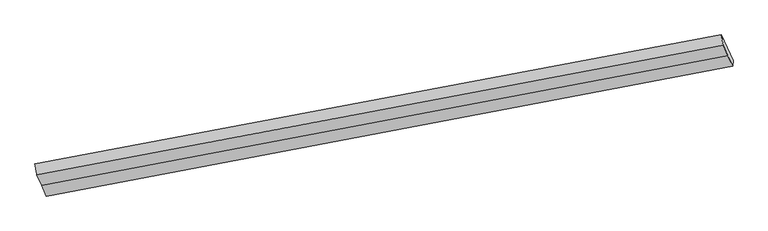
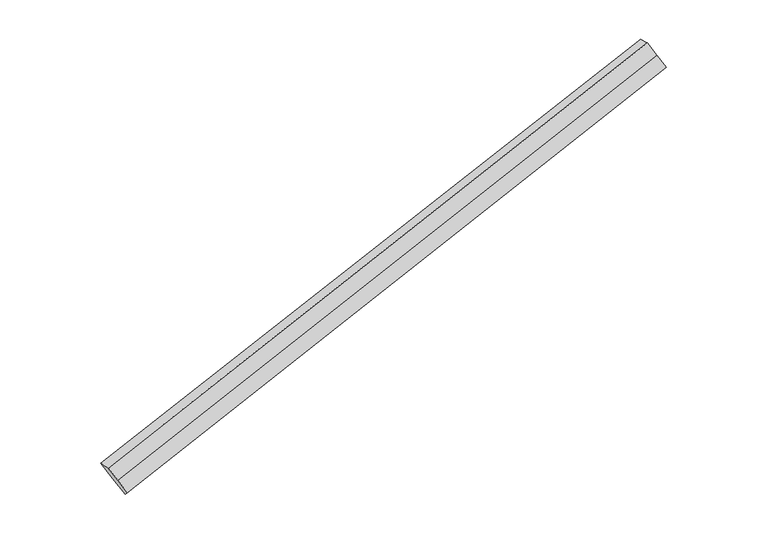
"""IFC4 building model written with IfcOpenShell, lengths in millimetres: proxy geometry."""

from ifc_helpers import new_model, si_unit, frame, origin, place, context, project, spatial, source, transform, mapped, element, save
from ifc_brep_helpers import plane_surface, spline_surface, advanced_brep


def generic_models_016b9fe2(model_context):
    return source(origin(), model_context, "Body", "AdvancedBrep", [
        advanced_brep(
        [(-7532.683145, -2332.766391, 614.6231841), (-7614.6589768, -2150.3728211, 785.8777193), (1722.9767212, -392.8753287, 3360.72944), (1801.8388984, -568.3411178, 3195.9795961), (-7586.9446844, -2302.7768093, 790.1140492), (1744.4637043, -531.4237554, 3377.9751525), (-7522.3205981, -2446.5633076, 655.1087968), (1809.0877906, -675.2102537, 3242.9699002), (-7457.6965118, -2590.3498058, 520.1035445), (1873.711877, -818.9967519, 3107.9646478), (-7450.7073132, -2515.1599608, 443.3686489), (1880.7010756, -743.8069069, 3031.2297522)],
        [
            (0, 1),
            (1, 2),
            (2, 3),
            (3, 0),
            (1, 4),
            (4, 5),
            (5, 2),
            (4, 6),
            (6, 7),
            (7, 5),
            (6, 8),
            (8, 9),
            (9, 7),
            (8, 10),
            (10, 11),
            (11, 9),
            (10, 0),
            (3, 11),
        ],
        [
            plane_surface(frame((-7573.6710609, -2241.5696061, 700.2504517), z_axis=(0.06507361247411933, 0.698432264235996, -0.7127115806788522), x_axis=(-0.3113654653494435, 0.6927780723338657, 0.6504691303060413))),
            spline_surface(1, 1, [[(-7614.6589768, -2150.3728211, 785.8777193), (1722.9767212, -392.8753287, 3360.72944)], [(-7586.9446844, -2302.7768093, 790.1140492), (1744.4637043, -531.4237554, 3377.9751525)]], [2, 2], [2, 2], [0.0, 1.0], [0.0, 1.0]),
            plane_surface(frame((-7554.6326413, -2374.6700585, 722.611423), z_axis=(-0.06507361247411342, -0.6984322642360141, 0.7127115806788351), x_axis=(0.31136546534943754, -0.6927780723338494, -0.6504691303060615))),
            plane_surface(frame((-7490.0085549, -2518.4565567, 587.6061707), z_axis=(-0.06507361247408561, -0.6984322642360727, 0.71271158067878), x_axis=(0.3113654653502739, -0.6927780723336325, -0.650469130305892))),
            plane_surface(frame((-7454.2019125, -2552.7548833, 481.7360967), z_axis=(0.3118469585870999, -0.6926867122183533, -0.6503357541578841), x_axis=(0.06491937247996685, 0.6984030383736693, -0.7127542851973845))),
            plane_surface(frame((-7491.6952291, -2423.9631759, 528.9959165), z_axis=(0.0650736124741148, 0.6984322642360089, -0.7127115806788401), x_axis=(-0.31136546535014187, 0.6927780723337209, 0.6504691303058612))),
            plane_surface(frame((1805.4633445, -621.7756858, 3219.4747481), z_axis=(0.9480701567206493, 0.17969902193349033, 0.2624333047687176), x_axis=(0.06491937247996685, 0.6984030383736693, -0.7127542851973845))),
            plane_surface(frame((-7527.5018716, -2389.6648493, 634.8659905), z_axis=(-0.9480701567207157, -0.1796990219331998, -0.2624333047686767), x_axis=(0.3113654653495599, -0.6927780723338073, -0.6504691303060478))),
        ],
        [
            (0, [[1, 2, 3, 4]]),
            (1, [[5, 6, 7, -2]]),
            (2, [[8, 9, 10, -6]]),
            (3, [[11, 12, 13, -9]]),
            (4, [[14, 15, 16, -12]]),
            (5, [[17, -4, 18, -15]]),
            (6, [[-16, -18, -3, -7, -10, -13]]),
            (7, [[-17, -14, -11, -8, -5, -1]]),
        ],
    ),
    ])


if __name__ == "__main__":
    model = new_model("IFC4")
    model_context = context("Model", 3, world=origin())
    ifc_project = project(units=[si_unit("LENGTHUNIT", "METRE", prefix="MILLI")], contexts=[model_context])
    site = spatial("IfcSite", under=ifc_project)
    building = spatial("IfcBuilding", under=site)
    placement = place(None, origin())
    generic_models_shape = generic_models_016b9fe2(model_context)
    element("IfcBuildingElementProxy", 1, Name="Generic Models", at=placement, inside=building, context=model_context, shape_type="MappedRepresentation", body=[
        mapped(generic_models_shape, transform((0.0, 0.0, 0.0), x_axis=(1.0, 0.0, 0.0), y_axis=(0.0, 1.0, 0.0), z_axis=(0.0, 0.0, 1.0))),
    ])
    save(model, "model.ifc")
